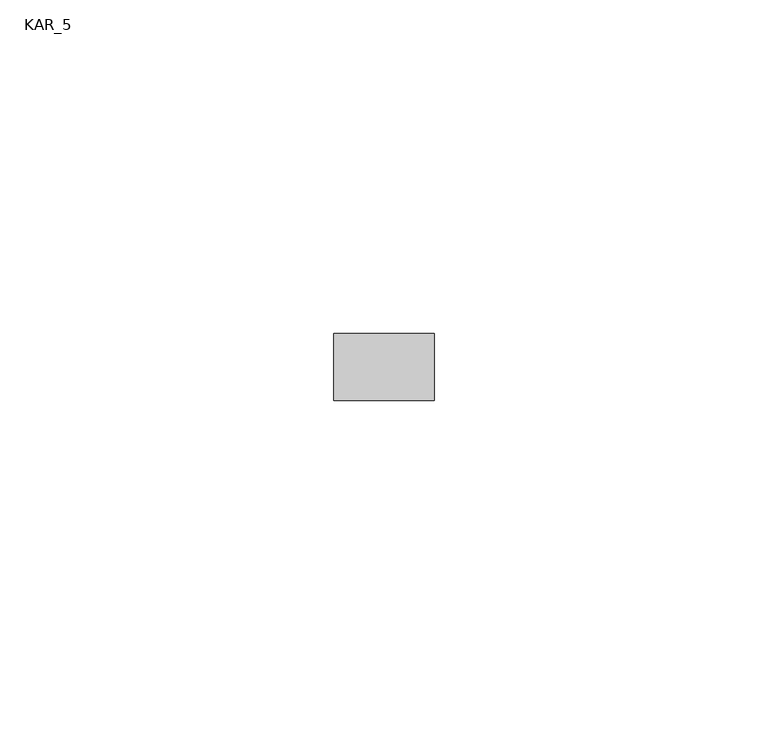
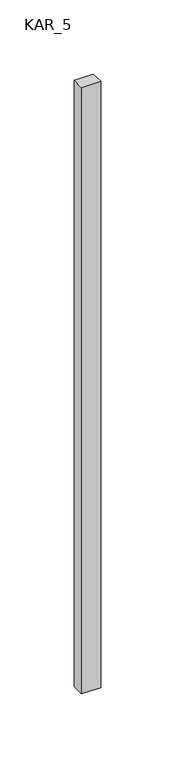
"""IFC4 building model written with IfcOpenShell, lengths in millimetres: proxy geometry, KAR_5."""

import ifcopenshell
import ifcopenshell.guid

model = None  # the IFC model being written
_history = None  # IfcOwnerHistory: only IFC2X3 demands one
_inside = {}  # id of a spatial element -> (the spatial element, [elements in it])
_under = {}  # id of a project, library or spatial element -> (it, [spatial elements below it])
_declared = {}  # id of a project -> (the project, [libraries it declares])
_typed = {}  # id of a type object -> (the type object, [elements of that type])
_made_of = {}  # id of a material, layer set ... -> (it, [elements and type objects made of it])


def new_model(schema):
    """Start an empty IFC model of exactly this schema.

    Asked for "IFC4X3", IfcOpenShell would pick the latest addendum, in which some entities
    have other attributes; the version numbers below select the first issue.
    IFC2X3 requires an IfcOwnerHistory on every rooted entity: one is made here for all.
    """
    global model, _history
    if schema == "IFC4X3":
        model = ifcopenshell.file(schema_version=(4, 3, 0, 0))
    else:
        model = ifcopenshell.file(schema=schema)
    _inside.clear()
    _under.clear()
    _declared.clear()
    _typed.clear()
    _made_of.clear()
    _history = None
    if model.schema == "IFC2X3":
        org = make("IfcOrganization", Name="unknown")
        user = make(
            "IfcPersonAndOrganization",
            ThePerson=make("IfcPerson", FamilyName="unknown"),
            TheOrganization=org,
        )
        app = make(
            "IfcApplication",
            ApplicationDeveloper=org,
            Version="unknown",
            ApplicationFullName="unknown",
            ApplicationIdentifier="unknown",
        )
        _history = make(
            "IfcOwnerHistory",
            OwningUser=user,
            OwningApplication=app,
            ChangeAction="ADDED",
            CreationDate=0,
        )
    return model


def make(cls, **values):
    """One entity of the class cls with the attributes given. An attribute that is None is left unset."""
    return model.create_entity(
        cls, **{name: value for name, value in values.items() if value is not None}
    )


def rooted(cls, **values):
    """An entity with a GlobalId (a new one), such as an element, a storey or a relation."""
    return make(cls, GlobalId=ifcopenshell.guid.new(), OwnerHistory=_history, **values)


def si_unit(unit_type, name, prefix=None):
    """IfcSIUnit, for example si_unit("LENGTHUNIT", "METRE", prefix="MILLI")."""
    return make("IfcSIUnit", UnitType=unit_type, Prefix=prefix, Name=name)


def assignment(units):
    """IfcUnitAssignment: the units of a project."""
    return None if units is None else make("IfcUnitAssignment", Units=units)


def point(xyz):
    """IfcCartesianPoint."""
    return None if xyz is None else make("IfcCartesianPoint", Coordinates=xyz)


def direction(xyz):
    """IfcDirection."""
    return None if xyz is None else make("IfcDirection", DirectionRatios=xyz)


def frame(location, z_axis=None, x_axis=None):
    """IfcAxis2Placement3D, a coordinate frame: its origin and axes. An axis left out is left unset."""
    return make(
        "IfcAxis2Placement3D",
        Location=point(location),
        Axis=direction(z_axis),
        RefDirection=direction(x_axis),
    )


def origin():
    """The frame at (0, 0, 0) with its axes left unset."""
    return frame((0.0, 0.0, 0.0))


def place(relative_to, where):
    """IfcLocalPlacement: puts the frame where relative to a parent placement (None: the world)."""
    return make(
        "IfcLocalPlacement", PlacementRelTo=relative_to, RelativePlacement=where
    )


def context(
    kind, dimensions, precision=None, world=None, true_north=None, identifier=None
):
    """IfcGeometricRepresentationContext, for example the 3D "Model" context."""
    return make(
        "IfcGeometricRepresentationContext",
        ContextIdentifier=identifier,
        ContextType=kind,
        CoordinateSpaceDimension=dimensions,
        Precision=precision,
        WorldCoordinateSystem=world,
        TrueNorth=true_north,
    )


def project(units=None, contexts=None):
    """IfcProject with its units and contexts."""
    return rooted(
        "IfcProject",
        Name="project",
        RepresentationContexts=contexts,
        UnitsInContext=assignment(units),
    )


def spatial(cls, under=None, at=None, **own):
    """A site, building, storey or space (cls), placed at a placement, below another one or the project."""
    s = rooted(cls, ObjectPlacement=at, **own)
    if under is not None:
        _under.setdefault(under.id(), (under, []))[1].append(s)
    return s


def polyline(points):
    """IfcPolyline through the points."""
    return make("IfcPolyline", Points=[point(p) for p in points])


def outline(outer, holes=None, kind="AREA"):
    """IfcArbitraryClosedProfileDef: a profile drawn as a closed curve; with holes, ...WithVoids."""
    if holes is None:
        return make("IfcArbitraryClosedProfileDef", ProfileType=kind, OuterCurve=outer)
    return make(
        "IfcArbitraryProfileDefWithVoids",
        ProfileType=kind,
        OuterCurve=outer,
        InnerCurves=holes,
    )


def extrude(swept, where, along, depth):
    """IfcExtrudedAreaSolid: the profile swept, set in the frame where, extruded along a direction by depth."""
    return make(
        "IfcExtrudedAreaSolid",
        SweptArea=swept,
        Position=where,
        ExtrudedDirection=direction(along),
        Depth=depth,
    )


def shape(context_of_items, identifier, shape_type, items):
    """IfcShapeRepresentation: the items that make up one representation, for example the "Body"."""
    return make(
        "IfcShapeRepresentation",
        ContextOfItems=context_of_items,
        RepresentationIdentifier=identifier,
        RepresentationType=shape_type,
        Items=items,
    )


def source(mapping_origin, context_of_items, identifier, shape_type, items):
    """IfcRepresentationMap: a shape defined once, which mapped items show again and again."""
    return make(
        "IfcRepresentationMap",
        MappingOrigin=mapping_origin,
        MappedRepresentation=shape(context_of_items, identifier, shape_type, items),
    )


def transform(
    local_origin,
    x_axis=None,
    y_axis=None,
    z_axis=None,
    scale=None,
    scale2=None,
    scale3=None,
    uniform=True,
):
    """IfcCartesianTransformationOperator3D, or its non-uniform kind. x_axis, y_axis, z_axis: its Axis1, 2, 3."""
    if uniform:
        return make(
            "IfcCartesianTransformationOperator3D",
            Axis1=direction(x_axis),
            Axis2=direction(y_axis),
            LocalOrigin=point(local_origin),
            Scale=scale,
            Axis3=direction(z_axis),
        )
    return make(
        "IfcCartesianTransformationOperator3DnonUniform",
        Axis1=direction(x_axis),
        Axis2=direction(y_axis),
        LocalOrigin=point(local_origin),
        Scale=scale,
        Axis3=direction(z_axis),
        Scale2=scale2,
        Scale3=scale3,
    )


def mapped(mapping_source, mapping_target):
    """IfcMappedItem: shows the shape of a source again, moved by a transform."""
    return make(
        "IfcMappedItem", MappingSource=mapping_source, MappingTarget=mapping_target
    )


def made_of(thing, what):
    """Note that an element or type object is made of a material, layer set ...; save() writes the relation."""
    if what is not None:
        _made_of.setdefault(what.id(), (what, []))[1].append(thing)
    return thing


def element(
    cls,
    number,
    at=None,
    inside=None,
    cuts=None,
    type_object=None,
    material=None,
    context=None,
    identifier="Body",
    shape_type=None,
    held_by="IfcProductDefinitionShape",
    body=None,
    shapes=None,
    **own,
):
    """One element of the class cls, such as IfcWall. Its Tag is "e" and its number.

    at: its placement. inside: the storey or other place that contains it. cuts: it is an
    opening in that element (IfcRelVoidsElement). A single representation is given by context,
    identifier, shape_type and body (its items); several are given by shapes. held_by: the class
    of the entity that holds the representations. save() writes the other relations.
    """
    e = rooted(cls, Tag="e%d" % number, ObjectPlacement=at, **own)
    if body is not None:
        shapes = [shape(context, identifier, shape_type, body)]
    if shapes is not None:
        e.Representation = make(held_by, Representations=shapes)
    if inside is not None:
        _inside.setdefault(inside.id(), (inside, []))[1].append(e)
    if cuts is not None:
        rooted(
            "IfcRelVoidsElement", RelatingBuildingElement=cuts, RelatedOpeningElement=e
        )
    if type_object is not None:
        _typed.setdefault(type_object.id(), (type_object, []))[1].append(e)
    return made_of(e, material)


def aggregate(whole, parts):
    """IfcRelAggregates: a whole, such as a stair, and the parts it consists of."""
    return rooted("IfcRelAggregates", RelatingObject=whole, RelatedObjects=parts)


def save(model, path):
    """Write the relations noted so far, then the file.

    IfcRelAggregates (storeys below a building ...), IfcRelContainedInSpatialStructure (elements
    in a storey), IfcRelDefinesByType, IfcRelAssociatesMaterial and IfcRelDeclares: one each for
    every whole, place, type object, material and project.
    """
    for whole, parts in _under.values():
        aggregate(whole, parts)
    for where, things in _inside.values():
        rooted(
            "IfcRelContainedInSpatialStructure",
            RelatedElements=things,
            RelatingStructure=where,
        )
    for kind, things in _typed.values():
        rooted("IfcRelDefinesByType", RelatedObjects=things, RelatingType=kind)
    for what, things in _made_of.values():
        rooted("IfcRelAssociatesMaterial", RelatedObjects=things, RelatingMaterial=what)
    for by, libraries in _declared.values():
        rooted("IfcRelDeclares", RelatingContext=by, RelatedDefinitions=libraries)
    model.write(path)


def kar_5_60190fe0(model_context):
    return source(origin(), model_context, "Body", "SweptSolid", [
        extrude(outline(polyline([(15.0, 10.0), (15.0, 0.0), (0.0, 0.0), (0.0, 10.0), (15.0, 10.0)])), frame((0.0, 0.0, 2000.0), z_axis=(0.0, 0.0, 1.0), x_axis=(1.0, 0.0, 0.0)), (0.0, 0.0, 1.0), 500.0),
    ])


if __name__ == "__main__":
    model = new_model("IFC4")
    model_context = context("Model", 3, world=origin())
    ifc_project = project(units=[si_unit("LENGTHUNIT", "METRE", prefix="MILLI")], contexts=[model_context])
    site = spatial("IfcSite", under=ifc_project)
    building = spatial("IfcBuilding", under=site)
    placement = place(None, origin())
    kar_5_shape = kar_5_60190fe0(model_context)
    element("IfcBuildingElementProxy", 1, Name="KAR_5", ObjectType="KAR_5", at=placement, inside=building, context=model_context, shape_type="MappedRepresentation", body=[
        mapped(kar_5_shape, transform((0.0, 0.0, 0.0), x_axis=(1.0, 0.0, 0.0), y_axis=(0.0, 1.0, 0.0), z_axis=(0.0, 0.0, 1.0))),
    ])
    save(model, "model.ifc")
